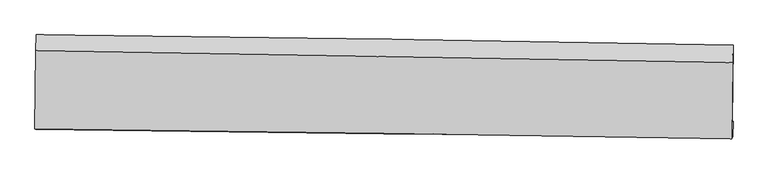
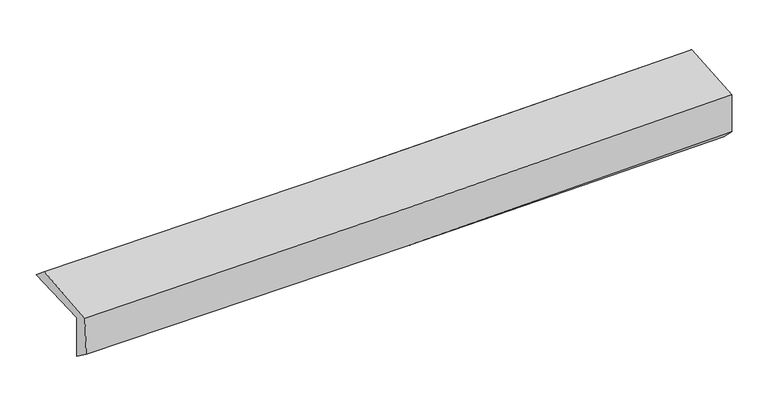
"""IFC4 building model written with IfcOpenShell, lengths in millimetres: proxy geometry."""

from ifc_helpers import new_model, si_unit, frame, origin, place, context, project, spatial, source, transform, mapped, element, save
from ifc_brep_helpers import plane_surface, spline_curve, spline_surface, advanced_brep


def generic_models_c693e7a9(model_context):
    return source(origin(), model_context, "Body", "AdvancedBrep", [
        advanced_brep(
        [(-3013.5943671, -1763.4658216, 1971.2500528), (-3004.8520992, -1093.9116524, 1985.8612834), (3000.3019407, -1181.4951829, 2136.9547835), (2991.0552061, -1847.3461895, 2112.531398), (-3004.4174602, -1749.0806895, 1575.5960136), (3000.3547991, -1841.8024905, 1705.719993), (-3009.3041697, -1910.5716534, 1694.4489017), (2995.4030066, -1978.0776382, 1835.7365157), (-3017.4165421, -1905.2097324, 2054.9988282), (2986.6500194, -1991.7982611, 2213.1136465), (-3009.3264421, -1230.7681128, 2101.2556608), (2995.3105918, -1333.8758906, 2258.2556749)],
        [
            (0, 1),
            (1, 2, spline_curve(3, [(-3004.8520992, -1093.9116524, 1985.8612834), (-2003.571813015, -1103.276042051, 1996.217737418), (-1002.508630031, -1115.256736377, 2013.986830741), (999.209394348, -1144.45111146, 2064.350947842), (1999.864224897, -1161.664927226, 2096.946354252), (3000.3019407, -1181.4951829, 2136.9547835)], [4, 2, 4], [0.0, 9.854715625972466, 19.70968593180769])),
            (2, 3),
            (3, 0, spline_curve(3, [(2991.0552061, -1847.3461895, 2112.531398), (1990.760130152, -1829.325348094, 2070.804577618), (990.21865884, -1813.324832392, 2038.16768746), (-1011.331211696, -1785.364814495, 1991.074375659), (-2012.339598059, -1773.4052073, 1976.617484108), (-3013.5943671, -1763.4658216, 1971.2500528)], [4, 2, 4], [0.0, 9.854970305835225, 19.70968593180769])),
            (4, 0),
            (3, 5),
            (5, 4, spline_curve(3, [(3000.3547991, -1841.8024905, 1705.719993), (1999.805250874, -1819.663650241, 1677.898459879), (999.12632096, -1800.867356655, 1653.143927621), (-1002.464439088, -1769.960262113, 1609.769426645), (-2003.376261963, -1757.849288988, 1591.149298622), (-3004.4174602, -1749.0806895, 1575.5960136)], [4, 2, 4], [0.0, 9.854171070296228, 19.70808748138417])),
            (6, 4),
            (5, 7),
            (7, 6, spline_curve(3, [(2995.4030066, -1978.0776382, 1835.7365157), (1994.780665463, -1971.876726715, 1802.208747967), (994.070763593, -1963.150666875, 1773.670808921), (-1007.498300001, -1940.648541688, 1726.575195228), (-2008.357456368, -1926.87260652, 1708.017263399), (-3009.3041697, -1910.5716534, 1694.4489017)], [4, 2, 4], [0.0, 9.853908910353383, 19.70756316827342])),
            (8, 6),
            (7, 9),
            (9, 8, spline_curve(3, [(2986.6500194, -1991.7982611, 2213.1136465), (1986.204970595, -1975.956737679, 2177.856395821), (985.637099562, -1960.820181222, 2147.051423211), (-1015.718427329, -1931.95737473, 2094.346713616), (-2016.506076603, -1918.231088366, 2072.446747153), (-3017.4165421, -1905.2097324, 2054.9988282)], [4, 2, 4], [0.0, 9.853848892883706, 19.707443134885082])),
            (10, 8),
            (9, 11),
            (11, 10, spline_curve(3, [(2995.3105918, -1333.8758906, 2258.2556749), (1994.754902908, -1316.773876399, 2223.081899482), (994.084171578, -1299.630442924, 2192.411566454), (-1007.461512488, -1265.261181781, 2140.078461172), (-2008.336459113, -1248.035355959, 2118.415456317), (-3009.3264421, -1230.7681128, 2101.2556608)], [4, 2, 4], [0.0, 9.854521674167078, 19.708788680065286])),
            (1, 10),
            (11, 2),
        ],
        [
            spline_surface(3, 3, [[(-3013.5943671, -1763.4658216, 1971.2500528), (-2012.339598048, -1773.405207231, 1976.617484129), (-1011.331211651, -1785.364814343, 1991.074375592), (990.218658795, -1813.324832544, 2038.167687527), (1990.760130177, -1829.325348089, 2070.804577769), (2991.0552061, -1847.3461895, 2112.531398)], [(-3010.680277797, -1540.281098523, 1976.12046301), (-2009.417003045, -1550.028818864, 1983.150901889), (-1008.390351139, -1561.995455061, 1998.711860683), (993.215570665, -1590.366925503, 2046.895440937), (1993.794828402, -1606.771874473, 2079.518503274), (2994.137450994, -1625.395853955, 2120.672526492)], [(-3007.766188503, -1317.096375477, 1980.99087319), (-2006.494408051, -1326.652430527, 1989.684319619), (-1005.449490614, -1338.626095738, 2006.349345755), (996.212482549, -1367.409018421, 2055.623194326), (1996.829526547, -1384.218400892, 2088.232428802), (2997.219695806, -1403.445518445, 2128.813655008)], [(-3004.8520992, -1093.9116524, 1985.8612834), (-2003.571813048, -1103.276042159, 1996.217737378), (-1002.508630103, -1115.256736457, 2013.986830847), (999.20939442, -1144.45111138, 2064.350947736), (1999.864224773, -1161.664927276, 2096.946354307), (3000.3019407, -1181.4951829, 2136.9547835)]], [4, 4], [4, 2, 4], [0.0, 2.19816265898669], [0.0, 9.854715625972466, 19.70968593180769]),
            spline_surface(3, 3, [[(-3004.4174602, -1749.0806895, 1575.5960136), (-2003.376262007, -1757.849288833, 1591.149298688), (-1002.464438955, -1769.960262268, 1609.769426503), (999.126320828, -1800.8673565, 1653.143927763), (1999.805250884, -1819.663650083, 1677.898459792), (3000.3547991, -1841.8024905, 1705.719993)], [(-3007.476429144, -1753.875733534, 1707.480693316), (-2006.364040665, -1763.034594966, 1719.638693817), (-1005.420029871, -1775.095112956, 1736.871076224), (996.157100133, -1805.01984851, 1781.485181043), (1996.790210652, -1822.884216084, 1808.867165803), (2997.25493477, -1843.650390165, 1841.323794685)], [(-3010.535398156, -1758.670777566, 1839.365373084), (-2009.35181939, -1768.219901098, 1848.128089), (-1008.375620735, -1780.229963655, 1863.97272587), (993.187879489, -1809.172340533, 1909.826434247), (1993.775170409, -1826.104782088, 1939.835871758), (2994.15507043, -1845.498289835, 1976.927596315)], [(-3013.5943671, -1763.4658216, 1971.2500528), (-2012.339598048, -1773.405207231, 1976.617484129), (-1011.331211651, -1785.364814343, 1991.074375592), (990.218658795, -1813.324832544, 2038.167687527), (1990.760130177, -1829.325348089, 2070.804577769), (2991.0552061, -1847.3461895, 2112.531398)]], [4, 4], [4, 2, 4], [0.0, 1.258269528908352], [0.0, 9.85391641108794, 19.70808748138417]),
            spline_surface(3, 3, [[(-3009.3041697, -1910.5716534, 1694.4489017), (-2008.357456433, -1926.87260639, 1708.017263339), (-1007.498299856, -1940.64854155, 1726.575195357), (994.070763448, -1963.150667012, 1773.670808791), (1994.780665615, -1971.876726752, 1802.208748108), (2995.4030066, -1978.0776382, 1835.7365157)], [(-3007.675266549, -1856.741332126, 1654.831272344), (-2006.697058306, -1870.531500564, 1669.061275133), (-1005.820346225, -1883.752448461, 1687.639939052), (995.755949238, -1909.05623018, 1733.495181761), (1996.455527341, -1921.139034529, 1760.771985326), (2997.05360407, -1932.652588967, 1792.39767479)], [(-3006.046363351, -1802.911010774, 1615.213642956), (-2005.036660133, -1814.190394659, 1630.105286894), (-1004.142392586, -1826.856355357, 1648.704682808), (997.441135037, -1854.961793332, 1693.319554793), (1998.130389158, -1870.401342306, 1719.335222574), (2998.70420163, -1887.227539733, 1749.05883391)], [(-3004.4174602, -1749.0806895, 1575.5960136), (-2003.376262007, -1757.849288833, 1591.149298688), (-1002.464438955, -1769.960262268, 1609.769426503), (999.126320828, -1800.8673565, 1653.143927763), (1999.805250884, -1819.663650083, 1677.898459792), (3000.3547991, -1841.8024905, 1705.719993)]], [4, 4], [4, 2, 4], [0.0, 0.670966979937725], [0.0, 9.853654257920038, 19.70756316827342]),
            spline_surface(3, 3, [[(-3017.4165421, -1905.2097324, 2054.9988282), (-2016.506076599, -1918.231088351, 2072.446747222), (-1015.718427304, -1931.957374735, 2094.346713753), (985.637099537, -1960.820181217, 2147.051423074), (1986.204970756, -1975.956737697, 2177.856395969), (2986.6500194, -1991.7982611, 2213.1136465)], [(-3014.71241796, -1906.997039394, 1934.815519378), (-2013.78986987, -1921.111594358, 1950.970252606), (-1012.978384806, -1934.854430346, 1971.756207622), (988.448320856, -1961.597009821, 2022.591218314), (1989.063535733, -1974.596734042, 2052.640513355), (2989.567681824, -1987.224720126, 2087.321269573)], [(-3012.00829384, -1908.784346406, 1814.632210522), (-2011.073663162, -1923.992100384, 1829.493757955), (-1010.238342354, -1937.751485939, 1849.165701488), (991.259542129, -1962.373838408, 1898.131013551), (1991.922100638, -1973.236730408, 1927.424630722), (2992.485344176, -1982.651179174, 1961.528892627)], [(-3009.3041697, -1910.5716534, 1694.4489017), (-2008.357456433, -1926.87260639, 1708.017263339), (-1007.498299856, -1940.64854155, 1726.575195357), (994.070763448, -1963.150667012, 1773.670808791), (1994.780665615, -1971.876726752, 1802.208748108), (2995.4030066, -1978.0776382, 1835.7365157)]], [4, 4], [4, 2, 4], [0.0, 1.2162422642485826], [0.0, 9.853594242001376, 19.707443134885082]),
            spline_surface(3, 3, [[(-3009.3264421, -1230.7681128, 2101.2556608), (-2008.336459119, -1248.035355818, 2118.415456198), (-1007.461512416, -1265.261181638, 2140.078461168), (994.084171506, -1299.630443066, 2192.411566457), (1994.754902751, -1316.773876471, 2223.08189949), (2995.3105918, -1333.8758906, 2258.2556749)], [(-3012.023142088, -1455.581986009, 2085.836716596), (-2011.059664934, -1471.433933338, 2103.092553202), (-1010.213817363, -1487.493245997, 2124.834545379), (991.268480866, -1520.027022443, 2177.291518679), (1991.904925415, -1536.501496885, 2208.006731634), (2992.423734329, -1553.183347439, 2243.208332085)], [(-3014.719842112, -1680.395859191, 2070.417772404), (-2013.782870784, -1694.832510832, 2087.769650218), (-1012.966122358, -1709.725310376, 2109.590629542), (988.452790177, -1740.42360184, 2162.171470853), (1989.054948091, -1756.229117283, 2192.931563824), (2989.536876871, -1772.490804261, 2228.160989315)], [(-3017.4165421, -1905.2097324, 2054.9988282), (-2016.506076599, -1918.231088351, 2072.446747222), (-1015.718427304, -1931.957374735, 2094.346713753), (985.637099537, -1960.820181217, 2147.051423074), (1986.204970756, -1975.956737697, 2177.856395969), (2986.6500194, -1991.7982611, 2213.1136465)]], [4, 4], [4, 2, 4], [0.0, 2.183581608683106], [0.0, 9.854267005898208, 19.708788680065286]),
            spline_surface(3, 3, [[(-3004.8520992, -1093.9116524, 1985.8612834), (-2003.571813048, -1103.276042159, 1996.217737378), (-1002.508630103, -1115.256736457, 2013.986830847), (999.20939442, -1144.45111138, 2064.350947736), (1999.864224773, -1161.664927276, 2096.946354307), (3000.3019407, -1181.4951829, 2136.9547835)], [(-3006.343546862, -1139.530472514, 2024.326075856), (-2005.160028434, -1151.529146693, 2036.950310307), (-1004.159590881, -1165.25821817, 2056.017374259), (997.500986774, -1196.177555261, 2107.037820615), (1998.161117412, -1213.367910356, 2138.991536042), (2998.638157713, -1232.288752148, 2177.388413974)], [(-3007.834994438, -1185.149292686, 2062.790868344), (-2006.748243734, -1199.782251285, 2077.682883269), (-1005.810551637, -1215.259699925, 2098.047917756), (995.792579151, -1247.903999185, 2149.724693578), (1996.458010112, -1265.070893391, 2181.036717754), (2996.974374787, -1283.082321352, 2217.822044426)], [(-3009.3264421, -1230.7681128, 2101.2556608), (-2008.336459119, -1248.035355818, 2118.415456198), (-1007.461512416, -1265.261181638, 2140.078461168), (994.084171506, -1299.630443066, 2192.411566457), (1994.754902751, -1316.773876471, 2223.08189949), (2995.3105918, -1333.8758906, 2258.2556749)]], [4, 4], [4, 2, 4], [0.0, 0.6517076483509294], [0.0, 9.855087056207097, 19.71042880187599]),
            plane_surface(frame((2994.8459273, -1695.7326088, 2043.7186686), z_axis=(0.999635168135749, -0.014712859585870246, 0.022650880535185547), x_axis=(0.023172731458390623, 0.03632409147720486, -0.9990713612626042))),
            plane_surface(frame((-3009.8185134, -1608.8346103, 1897.2351234), z_axis=(-0.9996506714384885, 0.01354751559435348, -0.02269360953660916), x_axis=(-0.013052629481143448, -0.9996768090912485, -0.021815275124731425))),
        ],
        [
            (0, [[1, 2, 3, 4]]),
            (1, [[5, -4, 6, 7]]),
            (2, [[8, -7, 9, 10]]),
            (3, [[11, -10, 12, 13]]),
            (4, [[14, -13, 15, 16]]),
            (5, [[17, -16, 18, -2]]),
            (6, [[-12, -9, -6, -3, -18, -15]]),
            (7, [[-1, -5, -8, -11, -14, -17]]),
        ],
    ),
    ])


if __name__ == "__main__":
    model = new_model("IFC4")
    model_context = context("Model", 3, world=origin())
    ifc_project = project(units=[si_unit("LENGTHUNIT", "METRE", prefix="MILLI")], contexts=[model_context])
    site = spatial("IfcSite", under=ifc_project)
    building = spatial("IfcBuilding", under=site)
    placement = place(None, origin())
    generic_models_shape = generic_models_c693e7a9(model_context)
    element("IfcBuildingElementProxy", 1, Name="Generic Models", at=placement, inside=building, context=model_context, shape_type="MappedRepresentation", body=[
        mapped(generic_models_shape, transform((0.0, 0.0, 0.0), x_axis=(1.0, 0.0, 0.0), y_axis=(0.0, 1.0, 0.0), z_axis=(0.0, 0.0, 1.0))),
    ])
    save(model, "model.ifc")
